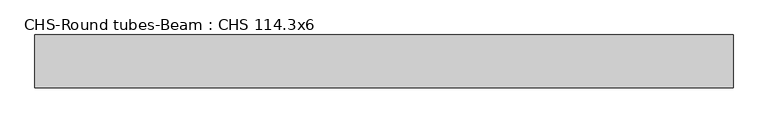
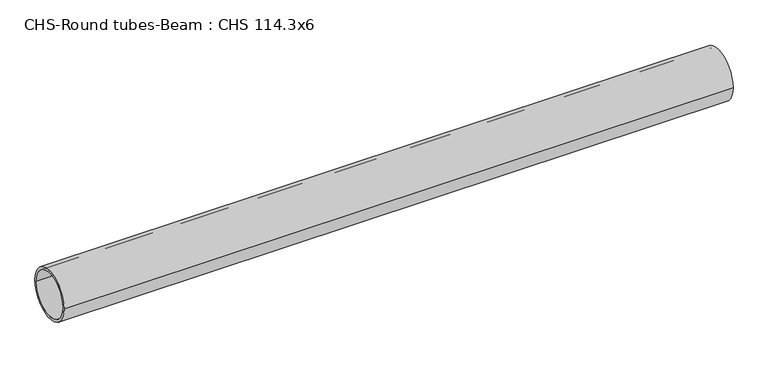
"""IFC4 building model written with IfcOpenShell, lengths in millimetres: beam geometry, CHS-Round tubes-Beam : CHS 114.3x6."""

from ifc_helpers import new_model, si_unit, point, frame, origin, origin_2d, place, context, project, spatial, circle_curve, trimmed, segment, composite_curve, outline, extrude, source, transform, mapped, element, save


def chs_round_tubes_beam_chs_114_3x6_386958cd(model_context):
    return source(origin(), model_context, "Body", "SweptSolid", [
        extrude(outline(composite_curve([segment(trimmed(circle_curve(origin_2d(), 57.15), [point((57.15, 0.0))], [point((-57.15, 0.0))], False, "CARTESIAN"), True, "CONTINUOUS"), segment(trimmed(circle_curve(origin_2d(), 57.15), [point((-57.15, 0.0))], [point((57.15, 0.0))], False, "CARTESIAN"), True, "CONTINUOUS")], self_intersect=False), holes=[composite_curve([segment(trimmed(circle_curve(origin_2d(), 51.15), [point((51.15, 0.0))], [point((-51.15, 0.0))], True, "CARTESIAN"), True, "CONTINUOUS"), segment(trimmed(circle_curve(origin_2d(), 51.15), [point((-51.15, 0.0))], [point((51.15, 0.0))], True, "CARTESIAN"), True, "CONTINUOUS")], self_intersect=False)]), frame((-744.7470505, 0.0, 0.0), z_axis=(1.0, 0.0, 0.0), x_axis=(0.0, 1.0, 0.0)), (0.0, 0.0, 1.0), 1510.0304291),
    ])


if __name__ == "__main__":
    model = new_model("IFC4")
    model_context = context("Model", 3, world=origin())
    ifc_project = project(units=[si_unit("LENGTHUNIT", "METRE", prefix="MILLI")], contexts=[model_context])
    site = spatial("IfcSite", under=ifc_project)
    building = spatial("IfcBuilding", under=site)
    placement = place(None, origin())
    chs_round_tubes_beam_chs_114_3x6_shape = chs_round_tubes_beam_chs_114_3x6_386958cd(model_context)
    element("IfcBeam", 1, ObjectType="CHS-Round tubes-Beam : CHS 114.3x6", at=placement, inside=building, context=model_context, shape_type="MappedRepresentation", body=[
        mapped(chs_round_tubes_beam_chs_114_3x6_shape, transform((0.0, 0.0, 0.0), x_axis=(1.0, 0.0, 0.0), y_axis=(0.0, 1.0, 0.0), z_axis=(0.0, 0.0, 1.0))),
    ])
    save(model, "model.ifc")
